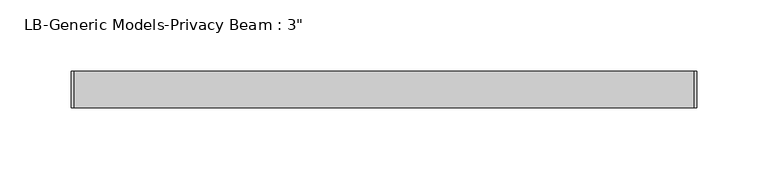
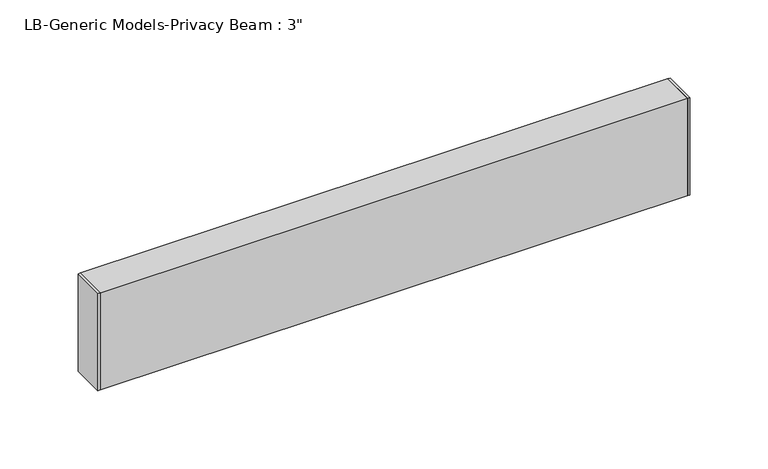
"""IFC4 building model written with IfcOpenShell, lengths in millimetres: proxy geometry."""

from ifc_helpers import new_model, si_unit, frame, origin, place, context, project, spatial, polyline, outline, extrude, source, transform, mapped, element, save


def proxy_d7db0b40(model_context):
    return source(origin(), model_context, "Body", "SweptSolid", [
        extrude(outline(polyline([(0.0, -12.7), (0.0, 12.7), (1.651, 12.7), (1.651, -12.7), (0.0, -12.7)])), frame((0.0, 0.0, -38.1), z_axis=(0.0, 0.0, 1.0), x_axis=(1.0, 0.0, 0.0)), (0.0, 0.0, 1.0), 76.2),
        extrude(outline(polyline([(438.15, -12.7), (436.499, -12.7), (436.499, 12.7), (438.15, 12.7), (438.15, -12.7)])), frame((0.0, 0.0, -38.1), z_axis=(0.0, 0.0, 1.0), x_axis=(1.0, 0.0, 0.0)), (0.0, 0.0, 1.0), 76.2),
        extrude(outline(polyline([(12.7, 38.1), (12.7, -38.1), (-12.7, -38.1), (-12.7, 38.1), (12.7, 38.1)]), holes=[polyline([(11.176, 36.576), (-11.176, 36.576), (-11.176, -36.576), (11.176, -36.576), (11.176, 36.576)])]), frame((1.651, 0.0, 0.0), z_axis=(1.0, 0.0, 0.0), x_axis=(0.0, 1.0, 0.0)), (0.0, 0.0, 1.0), 434.848),
    ])


if __name__ == "__main__":
    model = new_model("IFC4")
    model_context = context("Model", 3, world=origin())
    ifc_project = project(units=[si_unit("LENGTHUNIT", "METRE", prefix="MILLI")], contexts=[model_context])
    site = spatial("IfcSite", under=ifc_project)
    building = spatial("IfcBuilding", under=site)
    placement = place(None, origin())
    proxy_shape = proxy_d7db0b40(model_context)
    element("IfcBuildingElementProxy", 1, Name="LB-Generic Models-Privacy Beam : 3\"", ObjectType="LB-Generic Models-Privacy Beam : 3\"", at=placement, inside=building, context=model_context, shape_type="MappedRepresentation", body=[
        mapped(proxy_shape, transform((0.0, 0.0, 0.0), x_axis=(1.0, 0.0, 0.0), y_axis=(0.0, 1.0, 0.0), z_axis=(0.0, 0.0, 1.0))),
    ])
    save(model, "model.ifc")
